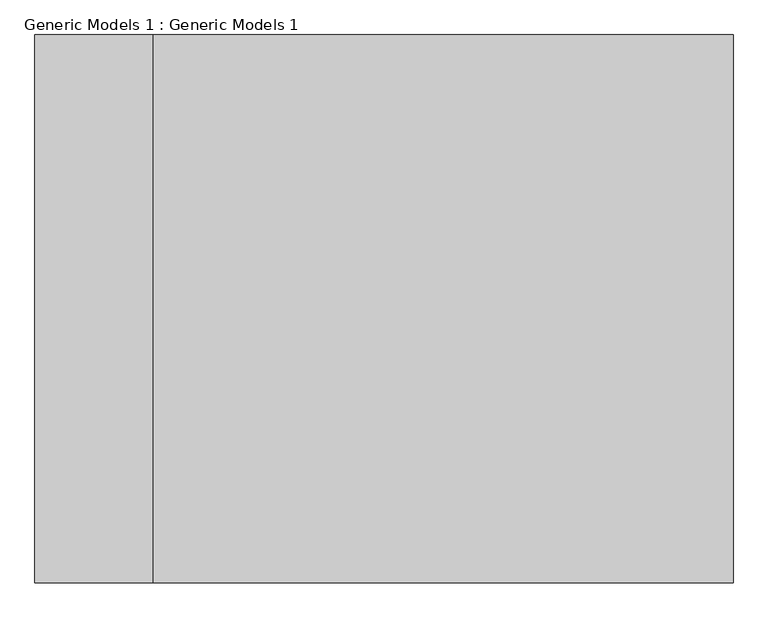
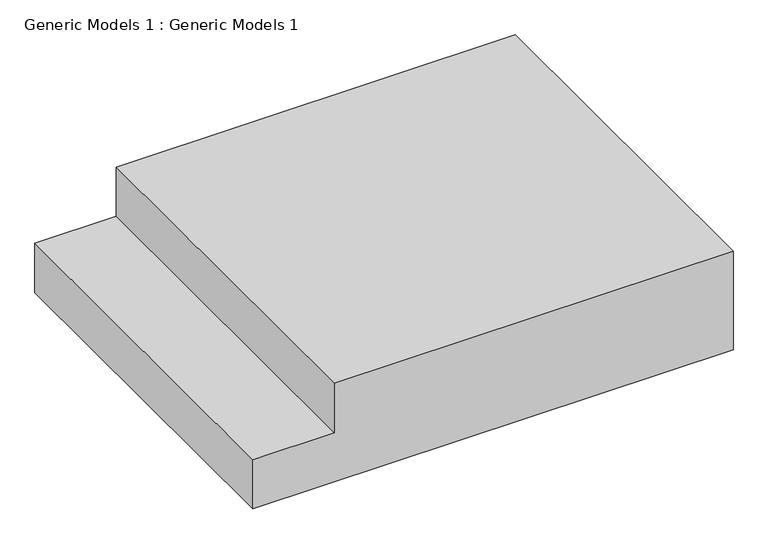
"""IFC4 building model written with IfcOpenShell, lengths in millimetres: proxy geometry, Generic Models 1 : Generic Models 1."""

from ifc_helpers import new_model, si_unit, frame, origin, place, context, project, spatial, polyline, outline, extrude, source, transform, mapped, element, save


def generic_models_1_generic_models_1_04deab18(model_context):
    return source(origin(), model_context, "Body", "SweptSolid", [
        extrude(outline(polyline([(-3541.1111111, -30640.6912908), (-3720.5555556, -30640.6912908), (-3720.5555556, -30920.6912908), (-3900.0, -30920.6912908), (-3900.0, -29265.6912908), (-3541.1111111, -29265.6912908), (-3541.1111111, -30640.6912908)])), frame((0.0, -7479.0672499, 0.0), z_axis=(0.0, 1.0, 0.0), x_axis=(0.0, 0.0, 1.0)), (0.0, 0.0, 1.0), 1300.0),
    ])


if __name__ == "__main__":
    model = new_model("IFC4")
    model_context = context("Model", 3, world=origin())
    ifc_project = project(units=[si_unit("LENGTHUNIT", "METRE", prefix="MILLI")], contexts=[model_context])
    site = spatial("IfcSite", under=ifc_project)
    building = spatial("IfcBuilding", under=site)
    placement = place(None, origin())
    generic_models_1_generic_models_1_shape = generic_models_1_generic_models_1_04deab18(model_context)
    element("IfcBuildingElementProxy", 1, Name="Generic Models 1 : Generic Models 1", ObjectType="Generic Models 1 : Generic Models 1", at=placement, inside=building, context=model_context, shape_type="MappedRepresentation", body=[
        mapped(generic_models_1_generic_models_1_shape, transform((0.0, 0.0, 0.0), x_axis=(1.0, 0.0, 0.0), y_axis=(0.0, 1.0, 0.0), z_axis=(0.0, 0.0, 1.0))),
    ])
    save(model, "model.ifc")
